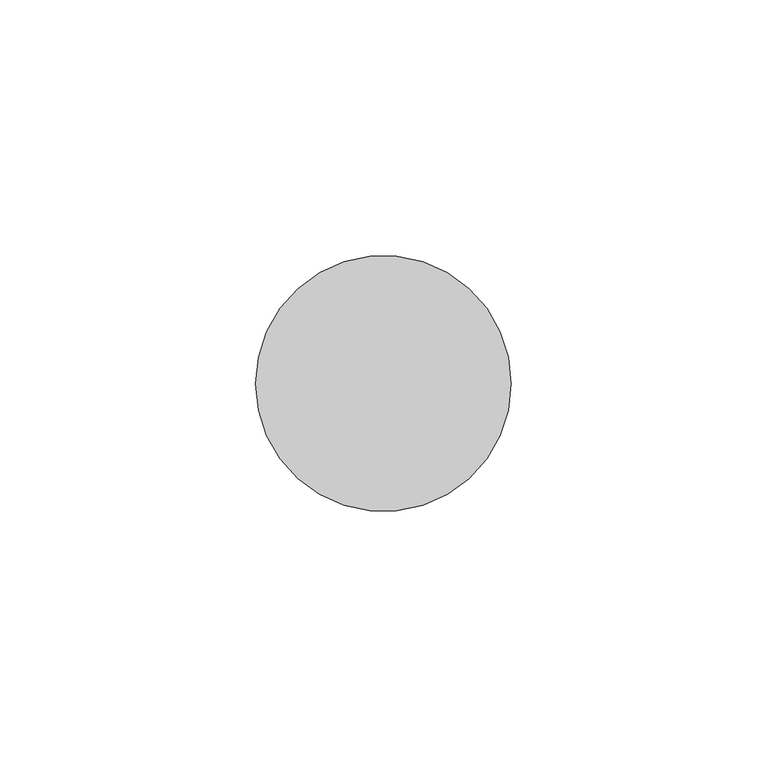
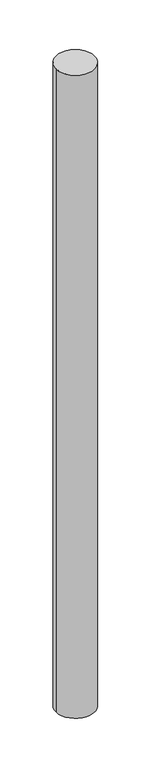
"""IFC4 building model written with IfcOpenShell, lengths in millimetres: member geometry."""

from ifc_helpers import new_model, si_unit, point, frame, origin, origin_2d, place, context, project, spatial, circle_curve, trimmed, segment, composite_curve, outline, extrude, source, transform, mapped, element, save


def member_3ba33b8e(model_context):
    return source(origin(), model_context, "Body", "SweptSolid", [
        extrude(outline(composite_curve([segment(trimmed(circle_curve(origin_2d(), 25.0), [point((25.0, 0.0))], [point((-25.0, 0.0))], False, "CARTESIAN"), True, "CONTINUOUS"), segment(trimmed(circle_curve(origin_2d(), 25.0), [point((-25.0, 0.0))], [point((25.0, 0.0))], False, "CARTESIAN"), True, "CONTINUOUS")], self_intersect=False)), frame((0.0, 0.0, -875.0), z_axis=(0.0, 0.0, 1.0), x_axis=(1.0, 0.0, 0.0)), (0.0, 0.0, 1.0), 875.0),
    ])


if __name__ == "__main__":
    model = new_model("IFC4")
    model_context = context("Model", 3, world=origin())
    ifc_project = project(units=[si_unit("LENGTHUNIT", "METRE", prefix="MILLI")], contexts=[model_context])
    site = spatial("IfcSite", under=ifc_project)
    building = spatial("IfcBuilding", under=site)
    placement = place(None, origin())
    member_shape = member_3ba33b8e(model_context)
    element("IfcMember", 1, at=placement, inside=building, context=model_context, shape_type="MappedRepresentation", body=[
        mapped(member_shape, transform((0.0, 0.0, 0.0), x_axis=(1.0, 0.0, 0.0), y_axis=(0.0, 1.0, 0.0), z_axis=(0.0, 0.0, 1.0))),
    ])
    save(model, "model.ifc")
